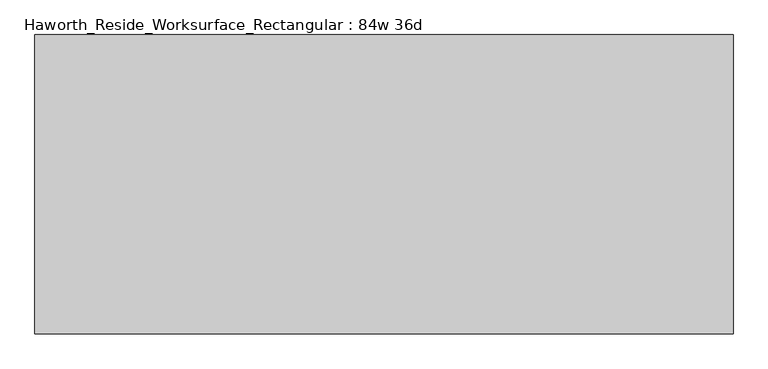
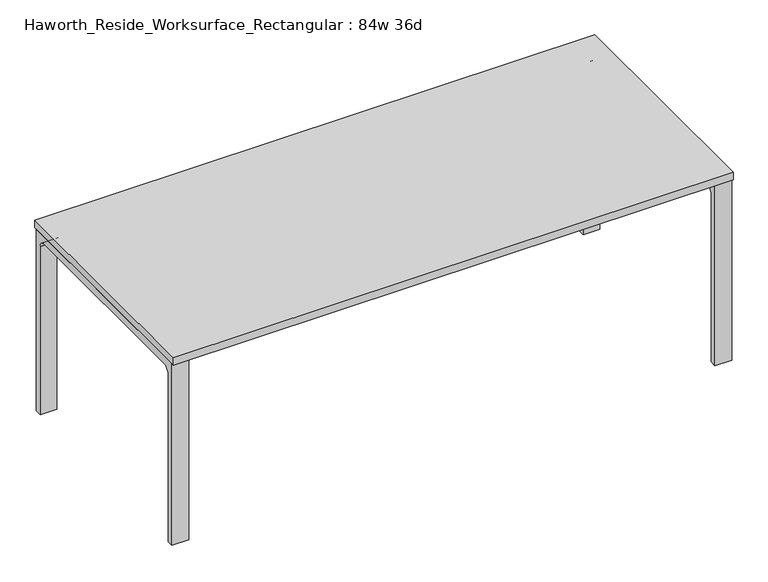
"""IFC4 building model written with IfcOpenShell, lengths in millimetres: furniture geometry, Haworth_Reside_Worksurface_Rectangular : 84w 36d."""

from ifc_helpers import new_model, si_unit, point, frame, frame_2d, origin, place, context, project, spatial, polyline, circle_curve, trimmed, segment, composite_curve, outline, extrude, source, transform, mapped, element, save


def haworth_reside_worksurface_rectangular_84w_36d_da86caf7(model_context):
    return source(origin(), model_context, "Body", "SweptSolid", [
        extrude(outline(composite_curve([segment(trimmed(circle_curve(frame_2d((396.875, 676.275)), 25.4), [point((422.275, 676.275))], [point((396.875, 701.675))], True, "CARTESIAN"), True, "CONTINUOUS"), segment(polyline([(396.875, 701.675), (-396.875, 701.675)]), True, "CONTINUOUS"), segment(trimmed(circle_curve(frame_2d((-396.875, 676.275)), 25.4), [point((-396.875, 701.675))], [point((-422.275, 676.275))], True, "CARTESIAN"), True, "CONTINUOUS"), segment(polyline([(-422.275, 676.275), (-422.275, 0.0), (-447.675, 0.0), (-447.675, 731.8375), (447.675, 731.8375), (447.675, 0.0), (422.275, 0.0), (422.275, 676.275)]), True, "CONTINUOUS")], self_intersect=False)), frame((1003.3, 0.0, 0.0), z_axis=(1.0, 0.0, 0.0), x_axis=(0.0, 1.0, 0.0)), (0.0, 0.0, 1.0), 63.5),
        extrude(outline(composite_curve([segment(trimmed(circle_curve(frame_2d((396.875, 676.275)), 25.4), [point((422.275, 676.275))], [point((396.875, 701.675))], True, "CARTESIAN"), True, "CONTINUOUS"), segment(polyline([(396.875, 701.675), (-396.875, 701.675)]), True, "CONTINUOUS"), segment(trimmed(circle_curve(frame_2d((-396.875, 676.275)), 25.4), [point((-396.875, 701.675))], [point((-422.275, 676.275))], True, "CARTESIAN"), True, "CONTINUOUS"), segment(polyline([(-422.275, 676.275), (-422.275, 0.0), (-447.675, 0.0), (-447.675, 731.8375), (447.675, 731.8375), (447.675, 0.0), (422.275, 0.0), (422.275, 676.275)]), True, "CONTINUOUS")], self_intersect=False)), frame((-1066.8, 0.0, 0.0), z_axis=(1.0, 0.0, 0.0), x_axis=(0.0, 1.0, 0.0)), (0.0, 0.0, 1.0), 63.5),
        extrude(outline(polyline([(1066.8, 457.2), (1066.8, -457.2), (-1066.8, -457.2), (-1066.8, 457.2), (1066.8, 457.2)])), frame((0.0, 0.0, 731.8375), z_axis=(0.0, 0.0, 1.0), x_axis=(1.0, 0.0, 0.0)), (0.0, 0.0, 1.0), 30.1625),
    ])


if __name__ == "__main__":
    model = new_model("IFC4")
    model_context = context("Model", 3, world=origin())
    ifc_project = project(units=[si_unit("LENGTHUNIT", "METRE", prefix="MILLI")], contexts=[model_context])
    site = spatial("IfcSite", under=ifc_project)
    building = spatial("IfcBuilding", under=site)
    placement = place(None, origin())
    haworth_reside_worksurface_rectangular_84w_36d_shape = haworth_reside_worksurface_rectangular_84w_36d_da86caf7(model_context)
    element("IfcFurniture", 1, ObjectType="Haworth_Reside_Worksurface_Rectangular : 84w 36d", at=placement, inside=building, context=model_context, shape_type="MappedRepresentation", body=[
        mapped(haworth_reside_worksurface_rectangular_84w_36d_shape, transform((0.0, 0.0, 0.0), x_axis=(1.0, 0.0, 0.0), y_axis=(0.0, 1.0, 0.0), z_axis=(0.0, 0.0, 1.0))),
    ])
    save(model, "model.ifc")
